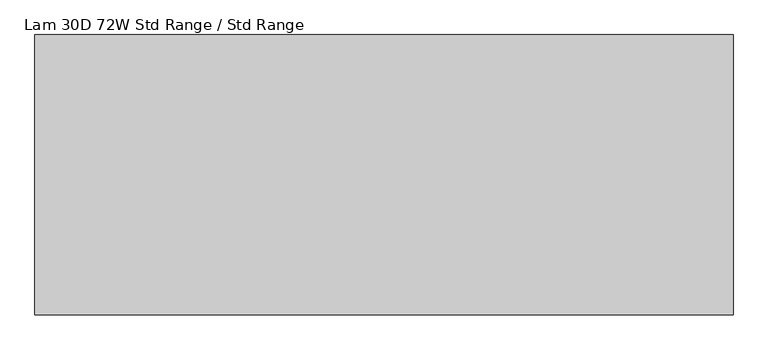
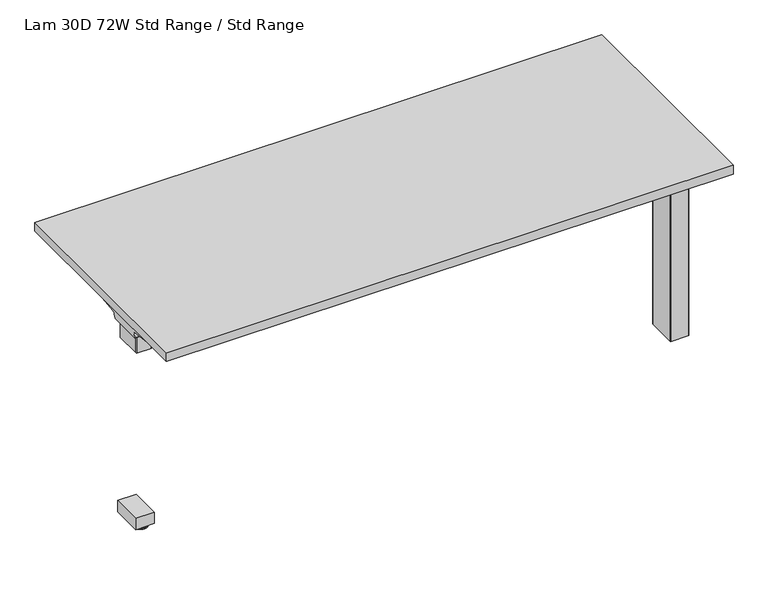
"""IFC4 building model written with IfcOpenShell, lengths in millimetres: furniture geometry, Lam 30D 72W Std Range / Std Range."""

from ifc_helpers import new_model, si_unit, point, frame, frame_2d, origin, place, context, project, spatial, polyline, circle_curve, ellipse_curve, trimmed, segment, composite_curve, outline, extrude, faceted_brep, source, transform, mapped, element, save
from ifc_brep_helpers import plane_surface, cylinder_surface, revolved_surface, advanced_brep


def lam_30d_72w_std_range_std_range_e2c294e8(model_context):
    return source(origin(), model_context, "Body", "SolidModel", [
        advanced_brep(
        [(-696.976, 671.3030475, 10.2361894), (-696.976, 657.2832975, 10.2361894), (-696.976, 657.6704727, 8.7946116), (-696.976, 670.9158723, 8.7946116), (-696.976, 664.2931725, 10.2361894), (-696.976, 685.2500609, 0.0), (-696.976, 643.3362842, 0.0), (-696.976, 664.2931725, 0.0), (-696.976, 686.7937912, 1.5436985), (-696.976, 641.7925538, 1.5436985), (-696.976, 686.7937365, 4.1072626), (-696.976, 641.7926085, 4.1072626), (-696.976, 685.2538961, 5.9174378), (-696.976, 643.3324489, 5.9174378)],
        [
            (0, 1, circle_curve(frame((-696.976, 664.2931725, 10.2361894), z_axis=(0.0, 0.0, -1.0), x_axis=(0.0, -1.0000000000000004, 0.0)), 7.009875)),
            (1, 2),
            (2, 3, circle_curve(frame((-696.976, 664.2931725, 8.7946116), z_axis=(0.0, 0.0, 1.0), x_axis=(0.0, -1.0000000000000004, 0.0)), 6.6226998)),
            (3, 0),
            (1, 0, circle_curve(frame((-696.976, 664.2931725, 10.2361894), z_axis=(0.0, 0.0, -1.0), x_axis=(0.0, -1.0000000000000004, 0.0)), 7.009875)),
            (3, 2, circle_curve(frame((-696.976, 664.2931725, 8.7946116), z_axis=(0.0, 0.0, 1.0), x_axis=(0.0, -1.0000000000000004, 0.0)), 6.6226998)),
            (4, 1),
            (0, 4),
            (5, 6, circle_curve(frame((-696.976, 664.2931725, 0.0), z_axis=(0.0, 0.0, -1.0), x_axis=(0.0, -1.0000000000000004, 0.0)), 20.9568884)),
            (6, 7),
            (7, 5),
            (6, 5, circle_curve(frame((-696.976, 664.2931725, 0.0), z_axis=(0.0, 0.0, -1.0), x_axis=(0.0, -1.0000000000000004, 0.0)), 20.9568884)),
            (8, 9, circle_curve(frame((-696.976, 664.2931725, 1.5436985), z_axis=(0.0, 0.0, -1.0), x_axis=(0.0, -1.0000000000000004, 0.0)), 22.5006187)),
            (9, 6),
            (5, 8),
            (9, 8, circle_curve(frame((-696.976, 664.2931725, 1.5436985), z_axis=(0.0, 0.0, -1.0), x_axis=(0.0, -1.0000000000000004, 0.0)), 22.5006187)),
            (10, 11, circle_curve(frame((-696.976, 664.2931725, 4.1072626), z_axis=(0.0, 0.0, -1.0), x_axis=(0.0, -1.0000000000000004, 0.0)), 22.500564)),
            (11, 9),
            (8, 10),
            (11, 10, circle_curve(frame((-696.976, 664.2931725, 4.1072626), z_axis=(0.0, 0.0, -1.0), x_axis=(0.0, -1.0000000000000004, 0.0)), 22.500564)),
            (12, 13, circle_curve(frame((-696.976, 664.2931725, 5.9174378), z_axis=(0.0, 0.0, -1.0), x_axis=(0.0, -1.0000000000000004, 0.0)), 20.9607236)),
            (13, 11),
            (10, 12),
            (13, 12, circle_curve(frame((-696.976, 664.2931725, 5.9174378), z_axis=(0.0, 0.0, -1.0), x_axis=(0.0, -1.0000000000000004, 0.0)), 20.9607236)),
            (2, 13),
            (12, 3),
        ],
        [
            revolved_surface(polyline([(-696.976, 657.6704727, 8.7946116), (-696.976, 657.2832975, 10.2361894)]), (-696.976, 664.2931725, 0.0), (0.0, 0.0, 1.0)),
            plane_surface(frame((-696.976, 664.2931725, 10.2361894), z_axis=(0.0, 0.0, 1.0), x_axis=(0.0, -1.0, 0.0))),
            plane_surface(frame((-696.976, 664.2931725, 0.0), z_axis=(0.0, 0.0, -1.0), x_axis=(0.0, -1.0, 0.0))),
            revolved_surface(polyline([(-696.976, 643.3362842, 0.0), (-696.976, 641.7925538, 1.5436985)]), (-696.976, 664.2931725, 0.0), (0.0, 0.0, 1.0)),
            cylinder_surface(frame((-696.976, 664.2931725, 0.0), z_axis=(0.0, 0.0, 1.0), x_axis=(0.0, -1.0000000000000004, 0.0)), 22.500564),
            revolved_surface(polyline([(-696.976, 641.792463, 4.1072626), (-696.976, 643.3324489, 5.9174378)]), (-696.976, 664.2931725, 0.0), (0.0, 0.0, 1.0)),
            revolved_surface(polyline([(-696.976, 643.3324489, 5.9174378), (-696.976, 657.6704727, 8.7946116)]), (-696.976, 664.2931725, 0.0), (0.0, 0.0, 1.0)),
        ],
        [
            (0, [[1, 2, 3, 4]]),
            (0, [[5, -4, 6, -2]]),
            (1, [[7, -1, 8]]),
            (1, [[-8, -5, -7]]),
            (2, [[9, 10, 11]]),
            (2, [[12, -11, -10]]),
            (3, [[13, 14, -9, 15]]),
            (3, [[16, -15, -12, -14]]),
            (4, [[17, 18, -13, 19]]),
            (4, [[20, -19, -16, -18]]),
            (5, [[21, 22, -17, 23]]),
            (5, [[24, -23, -20, -22]]),
            (6, [[-3, 25, -21, 26]]),
            (6, [[-6, -26, -24, -25]]),
        ],
    ),
        extrude(outline(polyline([(-667.0675, 738.9199959), (-667.0675, 639.5370001), (-726.8845, 639.5370001), (-726.8845, 738.9199959), (-667.0675, 738.9199959)])), frame((0.0, 0.0, 10.2361894), z_axis=(0.0, 0.0, 1.0), x_axis=(1.0, 0.0, 0.0)), (0.0, 0.0, 1.0), 37.8638679),
        faceted_brep([(856.0773962, 743.2522588, 622.0870648), (856.0773962, 748.3511664, 622.688627), (856.0773962, 753.179578, 624.4650084), (856.0773962, 757.4755731, 627.3308218), (856.0773962, 760.99538, 631.1414904), (856.0773962, 786.0990076, 665.7838526), (856.0773962, 785.360508, 666.3190068), (856.0773962, 760.2568895, 631.6766321), (856.0773962, 756.8835852, 628.0245295), (856.0773962, 752.7663947, 625.2780401), (856.0773962, 748.1389518, 623.5755641), (856.0773962, 743.2522588, 622.9990731), (856.0773962, 593.7736376, 622.9990731), (856.0773962, 588.8869809, 623.5755641), (856.0773962, 584.2595199, 625.2780401), (856.0773962, 580.1423112, 628.0245295), (856.0773962, 576.7689978, 631.6766321), (856.0773962, 551.6028741, 666.4052536), (856.0773962, 528.9092425, 703.1651011), (856.0773962, 527.840388, 703.1651011), (856.0773962, 550.8643926, 665.8701118), (856.0773962, 576.0305164, 631.1414904), (856.0773962, 579.5503324, 627.3308218), (856.0773962, 583.8463275, 624.4650084), (856.0773962, 588.6747573, 622.6885906), (856.0773962, 593.7736376, 622.0870648), (-551.4619573, 743.2522588, 622.0870648), (-551.4619573, 593.7736376, 622.0870648), (-551.4619573, 588.6747573, 622.6885906), (-551.4619573, 583.8463275, 624.4650084), (-551.4619573, 579.5503324, 627.3308218), (-551.4619573, 576.0305164, 631.1414904), (-551.4619573, 550.8643926, 665.8701118), (-551.4619573, 527.0840775, 704.390196), (-551.4619573, 528.1529322, 704.390196), (-551.4619573, 551.6028741, 666.4052536), (-551.4619573, 576.7689978, 631.6766321), (-551.4619573, 580.1423112, 628.0245295), (-551.4619573, 584.2595199, 625.2780401), (-551.4619573, 588.8869809, 623.5755641), (-551.4619573, 593.7736376, 622.9990731), (-551.4619573, 743.2522588, 622.9990731), (-551.4619573, 748.1389518, 623.5755641), (-551.4619573, 752.7663947, 625.2780401), (-551.4619573, 756.8835852, 628.0245295), (-551.4619573, 760.2568895, 631.6766321), (-551.4619573, 785.360508, 666.3190068), (-551.4619573, 786.0990076, 665.7838526), (-551.4619573, 760.99538, 631.1414904), (-551.4619573, 757.4755731, 627.3308218), (-551.4619573, 753.179578, 624.4650084), (-551.4619573, 748.3511664, 622.688627), (-482.0287306, 551.5397869, 666.4923122), (-481.1019993, 551.6028741, 666.4052536), (-477.6673689, 551.8366861, 666.0825989), (54.5237659, 551.8366861, 666.0825989), (68.0088831, 552.4282184, 665.266299), (71.7725473, 553.6086721, 663.6373024), (75.6215129, 555.4622116, 661.0794643), (86.1426004, 570.8388091, 639.8601442), (89.991566, 572.6923486, 637.3023062), (94.3829404, 574.0696277, 635.4016954), (99.1477659, 574.9177755, 634.2312727), (104.1030593, 575.2041425, 633.8360933), (206.8117723, 575.2041425, 633.8360933), (211.7670657, 574.9177755, 634.2312727), (216.5319638, 574.0696277, 635.4016954), (220.9232656, 572.6923486, 637.3023062), (224.7723039, 570.8388091, 639.8601442), (235.2933187, 555.4622116, 661.0794643), (239.142357, 553.6086721, 663.6373024), (244.7919689, 551.8366861, 666.0825989), (785.3231429, 551.8366861, 666.0825989), (788.7577733, 551.6028741, 666.4052536), (789.6845046, 551.5397869, 666.4923122), (793.8142671, 550.8037349, 667.699724), (797.4928943, 549.605542, 669.6405939), (800.525122, 548.0181204, 672.2119486), (820.7901641, 534.6038607, 693.9407822), (822.811625, 533.5455946, 695.6549944), (825.2640916, 532.7467694, 696.9489561), (828.0172666, 532.2498254, 697.7539215), (830.9248653, 532.0812313, 698.0270153), (-523.2690912, 532.0812313, 698.0270153), (-520.3614926, 532.2498254, 697.7539215), (-517.6083176, 532.7467694, 696.9489561), (-515.155851, 533.5455946, 695.6549944), (-513.1343901, 534.6038607, 693.9407822), (-492.869348, 548.0181204, 672.2119486), (-489.8371203, 549.605542, 669.6405939), (-486.1584931, 550.8037349, 667.699724), (830.9248653, 531.0123774, 698.0270153), (828.0172666, 531.1809714, 697.7539215), (825.2640916, 531.6779156, 696.9489561), (822.811625, 532.4767409, 695.6549944), (820.7901641, 533.5350072, 693.9407822), (800.525122, 546.9492694, 672.2119486), (797.4928943, 548.5366913, 669.6405939), (793.8142671, 549.7348843, 667.699724), (789.6845046, 550.4802781, 666.4923122), (785.3231429, 550.7332141, 666.0825989), (244.7919689, 550.7332141, 666.0825989), (244.3010389, 550.8643926, 665.8701118), (58.0340109, 550.8643926, 665.8701118), (54.5237659, 550.7332141, 666.0825989), (-477.6673689, 550.7332141, 666.0825989), (-482.0287306, 550.4802781, 666.4923122), (-486.1584931, 549.7348843, 667.699724), (-489.8371203, 548.5366913, 669.6405939), (-492.869348, 546.9492694, 672.2119486), (-513.1343901, 533.5350072, 693.9407822), (-515.155851, 532.4767409, 695.6549944), (-517.6083176, 531.6779156, 696.9489561), (-520.3614926, 531.1809714, 697.7539215), (-523.2690912, 531.0123774, 698.0270153), (239.142357, 552.4823998, 663.6373024), (235.2933187, 554.3359392, 661.0794643), (224.7723039, 569.7125368, 639.8601442), (220.9232656, 571.5660762, 637.3023062), (216.5319638, 572.9433553, 635.4016954), (211.7670657, 573.7915031, 634.2312727), (206.8117723, 574.0778701, 633.8360933), (104.1030593, 574.0778701, 633.8360933), (99.1477659, 573.7915031, 634.2312727), (94.3829404, 572.9433553, 635.4016954), (89.991566, 571.5660762, 637.3023062), (86.1426004, 569.7125368, 639.8601442), (75.6215129, 554.3359392, 661.0794643), (71.7725473, 552.4823998, 663.6373024), (68.0088831, 551.3019461, 665.266299)], [[[0, 1, 2, 3, 4, 5, 6, 7, 8, 9, 10, 11, 12, 13, 14, 15, 16, 17, 18, 19, 20, 21, 22, 23, 24, 25]], [[26, 27, 28, 29, 30, 31, 32, 33, 34, 35, 36, 37, 38, 39, 40, 41, 42, 43, 44, 45, 46, 47, 48, 49, 50, 51]], [[1, 0, 26, 51]], [[2, 1, 51, 50]], [[3, 2, 50, 49]], [[4, 3, 49, 48]], [[5, 4, 48, 47]], [[6, 5, 47, 46]], [[7, 6, 46, 45]], [[8, 7, 45, 44]], [[9, 8, 44, 43]], [[10, 9, 43, 42]], [[11, 10, 42, 41]], [[12, 11, 41, 40]], [[13, 12, 40, 39]], [[14, 13, 39, 38]], [[15, 14, 38, 37]], [[16, 15, 37, 36]], [[22, 21, 31, 30]], [[23, 22, 30, 29]], [[24, 23, 29, 28]], [[25, 24, 28, 27]], [[0, 25, 27, 26]], [[17, 16, 36, 35, 52, 53, 54, 55, 56, 57, 58, 59, 60, 61, 62, 63, 64, 65, 66, 67, 68, 69, 70, 71, 72, 73, 74]], [[18, 17, 74, 75, 76, 77, 78, 79, 80, 81, 82]], [[35, 34, 83, 84, 85, 86, 87, 88, 89, 90, 52]], [[20, 19, 91, 92, 93, 94, 95, 96, 97, 98, 99, 100, 101, 102]], [[33, 32, 103, 104, 105, 106, 107, 108, 109, 110, 111, 112, 113, 114]], [[21, 20, 102, 115, 116, 117, 118, 119, 120, 121, 122, 123, 124, 125, 126, 127, 128, 129, 103, 32, 31]], [[100, 72, 71, 101]], [[129, 56, 55, 104, 103]], [[104, 55, 54, 105]], [[105, 54, 53, 52, 106]], [[106, 52, 90, 107]], [[107, 90, 89, 108]], [[108, 89, 88, 109]], [[109, 88, 87, 110]], [[110, 87, 86, 111]], [[111, 86, 85, 112]], [[112, 85, 84, 113]], [[113, 84, 83, 114]], [[91, 82, 81, 92]], [[92, 81, 80, 93]], [[93, 80, 79, 94]], [[94, 79, 78, 95]], [[95, 78, 77, 96]], [[96, 77, 76, 97]], [[97, 76, 75, 98]], [[98, 75, 74, 99]], [[72, 100, 99, 74, 73]], [[101, 71, 70, 115, 102]], [[115, 70, 69, 116]], [[116, 69, 68, 117]], [[117, 68, 67, 118]], [[118, 67, 66, 119]], [[119, 66, 65, 120]], [[120, 65, 64, 121]], [[121, 64, 63, 122]], [[122, 63, 62, 123]], [[123, 62, 61, 124]], [[124, 61, 60, 125]], [[125, 60, 59, 126]], [[126, 59, 58, 127]], [[127, 58, 57, 128]], [[56, 129, 128, 57]], [[114, 83, 34, 33]], [[82, 91, 19, 18]]]),
        extrude(outline(polyline([(-747.776, 434.1876), (-747.776, 1157.3256), (1052.576, 1157.3256), (1052.576, 434.1876), (-747.776, 434.1876)])), frame((0.0, 0.0, 707.009), z_axis=(0.0, 0.0, 1.0), x_axis=(1.0, 0.0, 0.0)), (0.0, 0.0, 1.0), 29.591),
        advanced_brep(
        [(1036.2406297, 635.7959426, 658.5915733), (870.5122138, 635.7959426, 658.5915733), (884.8924181, 638.024396, 655.9442785), (1033.7518591, 638.024396, 655.9442785), (1036.4625278, 635.7869568, 658.8276054), (1038.8619089, 635.1429301, 675.7443054), (856.0773962, 635.1429301, 675.7443054), (856.0773962, 635.4909163, 666.6037253), (858.9075093, 635.572107, 664.4710821), (859.0501644, 635.6497731, 662.4310191), (1039.7185362, 629.6758947, 681.7839076), (856.0773962, 629.6758947, 681.7839076), (1042.2393767, 515.1046903, 699.5569507), (978.0243442, 515.1046903, 699.5569507), (856.0773962, 595.9094128, 687.0219877), (1042.3128152, 511.3286853, 700.0747243), (983.7229255, 511.3286853, 700.0747243), (1042.9871296, 509.8184289, 704.8289399), (1041.2021288, 512.395324, 707.009), (982.1132011, 512.395324, 707.009), (1042.9871296, 868.7919968, 704.8289399), (1042.3128152, 867.2817403, 700.0747243), (983.7229255, 867.2817403, 700.0747243), (982.1132011, 866.2151016, 707.009), (1041.2021288, 866.2151016, 707.009), (1042.2393767, 863.5057353, 699.5569507), (978.0243442, 863.5057353, 699.5569507), (1039.7185362, 748.9345309, 681.7839076), (856.0773962, 748.9345309, 681.7839076), (856.0773962, 782.7010128, 687.0219877), (1038.8619089, 743.4674955, 675.7443054), (856.0773962, 743.4674955, 675.7443054), (1036.4625278, 742.8234688, 658.8276054), (1036.2406297, 742.814483, 658.5915733), (870.5122138, 742.814483, 658.5915733), (859.0501644, 742.9606525, 662.4310191), (858.9075093, 743.0383186, 664.4710821), (856.0773962, 743.1195093, 666.6037253), (1033.7518591, 740.5860297, 655.9442785), (884.8924181, 740.5860297, 655.9442785), (856.0773962, 782.7010128, 707.009), (856.0773962, 595.9094128, 707.009)],
        [
            (0, 1),
            (1, 2, ellipse_curve(frame((894.7936465, 558.7582119, 750.1086722), z_axis=(0.0, -0.7650318638532659, -0.6439924279750484), x_axis=(0.0, -0.6439924279750484, 0.7650318638532659)), 123.7641411, 94.6835116)),
            (2, 3),
            (3, 0),
            (0, 4),
            (4, 5),
            (5, 6),
            (6, 7),
            (7, 8),
            (8, 9),
            (9, 1, ellipse_curve(frame((894.7936465, 632.3118442, 750.1086722), z_axis=(0.0, -0.999276106683639, -0.038042904873162565), x_axis=(0.0, -0.03804290487316395, 0.999276106683639)), 94.752102, 94.6835116)),
            (5, 10, ellipse_curve(frame((1038.8119691, 628.6843719, 675.3922075), z_axis=(0.9900906714849619, 0.0, -0.14042956326378436), x_axis=(0.14042956326378456, 0.0, 0.9900906714849619)), 6.5328852, 6.4681487)),
            (10, 11),
            (11, 6, circle_curve(frame((856.0773962, 628.6843719, 675.3922075), z_axis=(-1.0, 0.0, 0.0), x_axis=(0.0, -1.0000000000000004, 0.0)), 6.4681487)),
            (10, 12),
            (12, 13),
            (13, 14),
            (14, 11),
            (12, 15),
            (15, 16),
            (16, 13),
            (15, 17, ellipse_curve(frame((1042.7730772, 513.3058017, 703.3197755), z_axis=(-0.9900906714849619, 0.0, 0.14042956326378436), x_axis=(-0.14042956326378456, 0.0, -0.9900906714849619)), 3.8379455, 3.7999141)),
            (17, 18, ellipse_curve(frame((1044.222811, 513.3058017, 703.3197755), z_axis=(-0.7737284588432122, 0.0, -0.6335173809581768), x_axis=(-0.6335173809581769, 0.0, 0.7737284588432121)), 4.9111727, 3.7999141)),
            (18, 19),
            (19, 16, ellipse_curve(frame((980.739148, 513.3058017, 703.3197755), z_axis=(0.5523637579768749, 0.8336031902971967, 0.0), x_axis=(-0.8336031902971968, 0.5523637579768748, 0.0)), 6.8793689, 3.7999141)),
            (20, 21, ellipse_curve(frame((1042.7730772, 865.3046239, 703.3197755), z_axis=(-0.9900906714849619, 0.0, 0.14042956326378436), x_axis=(-0.14042956326378456, 0.0, -0.9900906714849619)), 3.8379455, 3.7999141)),
            (21, 22),
            (22, 23, ellipse_curve(frame((980.739148, 865.3046239, 703.3197755), z_axis=(0.5523637579749415, -0.833603190298478, 0.0), x_axis=(-0.8336031902984776, -0.5523637579749416, 0.0)), 6.8793689, 3.7999141)),
            (23, 24),
            (24, 20, ellipse_curve(frame((1044.222811, 865.3046239, 703.3197755), z_axis=(-0.7737284588432122, 0.0, -0.6335173809581768), x_axis=(-0.6335173809581769, 0.0, 0.7737284588432121)), 4.9111727, 3.7999141)),
            (21, 25),
            (25, 26),
            (26, 22),
            (27, 28),
            (28, 29),
            (29, 26),
            (25, 27),
            (27, 30, ellipse_curve(frame((1038.8119691, 749.9260537, 675.3922075), z_axis=(0.9900906714849619, 0.0, -0.14042956326378436), x_axis=(0.14042956326378456, 0.0, 0.9900906714849619)), 6.5328852, 6.4681487)),
            (30, 31),
            (31, 28, circle_curve(frame((856.0773962, 749.9260537, 675.3922075), z_axis=(-1.0, 0.0, 0.0), x_axis=(0.0, -1.0000000000000004, 0.0)), 6.4681487)),
            (30, 32),
            (32, 33),
            (33, 34),
            (34, 35, ellipse_curve(frame((894.7936465, 746.2985814, 750.1086722), z_axis=(0.0, 0.9992761066836363, -0.0380429048732354), x_axis=(0.0, -0.0380429048732312, -0.9992761066836363)), 94.752102, 94.6835116)),
            (35, 36),
            (36, 37),
            (37, 31),
            (33, 38),
            (38, 39),
            (39, 34, ellipse_curve(frame((894.7936465, 819.8522137, 750.1086722), z_axis=(0.0, 0.7650318638534731, -0.6439924279748023), x_axis=(0.0, -0.6439924279748023, -0.765031863853473)), 123.7641411, 94.6835116)),
            (4, 32),
            (20, 17),
            (24, 18),
            (23, 40),
            (40, 41),
            (41, 19),
            (37, 7),
            (14, 41),
            (40, 29),
            (36, 8),
            (35, 9),
            (39, 2),
            (38, 3),
        ],
        [
            plane_surface(frame((1059.2773962, 638.024396, 655.9442785), z_axis=(0.0, -0.7650318638532659, -0.6439924279750484), x_axis=(-1.0, 0.0, 0.0))),
            plane_surface(frame((1059.2773962, 635.7959426, 658.5915733), z_axis=(0.0, -0.999276106683639, -0.038042904873162565), x_axis=(-1.0, 0.0, 0.0))),
            revolved_surface(polyline([(1039.7293793154884, 622.2162232, 675.3922075), (856.0773961999998, 622.2162232, 675.3922075)]), (1059.2773962, 628.6843719, 675.3922075), (1.0000000000000004, 0.0, 0.0)),
            plane_surface(frame((1059.2773962, 629.6758947, 681.7839076), z_axis=(0.0, -0.15329313587139595, -0.9881807600306302), x_axis=(-1.0, 0.0, 0.0))),
            plane_surface(frame((1059.2773962, 515.1046903, 699.5569507), z_axis=(0.0, -0.13585085469026897, -0.9907292996979162), x_axis=(-1.0, 0.0, 0.0))),
            cylinder_surface(frame((1059.2773962, 513.3058017, 703.3197755), z_axis=(-1.0000000000000004, 0.0, 0.0), x_axis=(0.0, -1.0000000000000004, 0.0)), 3.7999141),
            cylinder_surface(frame((1059.2773962, 865.3046239, 703.3197755), z_axis=(-1.0000000000000004, 0.0, 0.0), x_axis=(0.0, -1.0000000000000004, 0.0)), 3.7999141),
            plane_surface(frame((1059.2773962, 867.2817403, 700.0747243), z_axis=(0.0, 0.135850854687912, -0.9907292996982394), x_axis=(-1.0, 0.0, 0.0))),
            plane_surface(frame((1059.2773962, 863.5057353, 699.5569507), z_axis=(0.0, 0.15329313587140656, -0.9881807600306285), x_axis=(-1.0, 0.0, 0.0))),
            revolved_surface(polyline([(1039.7293793154884, 743.457905, 675.3922075), (856.0773961999998, 743.457905, 675.3922075)]), (1059.2773962, 749.9260537, 675.3922075), (1.0000000000000004, 0.0, 0.0)),
            plane_surface(frame((1059.2773962, 743.4674955, 675.7443054), z_axis=(0.0, 0.9992761066836363, -0.0380429048732354), x_axis=(-1.0, 0.0, 0.0))),
            plane_surface(frame((1059.2773962, 742.814483, 658.5915733), z_axis=(0.0, 0.7650318638534731, -0.6439924279748023), x_axis=(-1.0, 0.0, 0.0))),
            plane_surface(frame((1036.4625278, 498.8052128, 658.8276054), z_axis=(0.9900906714849619, 0.0, -0.14042956326378436), x_axis=(0.0, 1.0, 0.0))),
            plane_surface(frame((1042.9871296, 498.8052128, 704.8289399), z_axis=(0.7737284588432122, 0.0, 0.6335173809581768), x_axis=(0.0, 1.0, 0.0))),
            plane_surface(frame((1041.2021288, 498.8052128, 707.009), z_axis=(0.0, 0.0, 1.0), x_axis=(0.0, 1.0, 0.0))),
            plane_surface(frame((856.0773962, 498.8052128, 707.009), z_axis=(-1.0, 0.0, 0.0), x_axis=(0.0, 1.0, 0.0))),
            plane_surface(frame((856.0773962, 498.8052128, 666.6037253), z_axis=(-0.6018150231516274, 0.0, -0.79863551004761), x_axis=(0.0, 1.0, 0.0))),
            plane_surface(frame((858.9075093, 498.8052128, 664.4710821), z_axis=(-0.9975640502599619, 0.0, -0.06975647374215803), x_axis=(0.0, 1.0, 0.0))),
            cylinder_surface(frame((894.7936465, 498.8052128, 750.1086722), z_axis=(0.0, -1.0000000000000004, 0.0), x_axis=(-1.0000000000000004, 0.0, 0.0)), 94.6835116),
            plane_surface(frame((884.8924181, 498.8052128, 655.9442785), z_axis=(0.0, 0.0, -1.0), x_axis=(0.0, 1.0, 0.0))),
            plane_surface(frame((1033.7518591, 498.8052128, 655.9442785), z_axis=(0.7285846064197381, 0.0, -0.6849558170336212), x_axis=(0.0, 1.0, 0.0))),
            plane_surface(frame((1002.6228017, 498.8052128, 707.009), z_axis=(-0.552363757976875, -0.8336031902971969, 0.0), x_axis=(0.0, 0.0, -1.0))),
            plane_surface(frame((856.0773962, 782.7010128, 707.009), z_axis=(-0.5523637579749415, 0.833603190298478, 0.0), x_axis=(0.0, 0.0, -1.0))),
        ],
        [
            (0, [[1, 2, 3, 4]]),
            (1, [[-1, 5, 6, 7, 8, 9, 10, 11]]),
            (2, [[-7, 12, 13, 14]]),
            (3, [[-13, 15, 16, 17, 18]]),
            (4, [[19, 20, 21, -16]]),
            (5, [[22, 23, 24, 25, -20]]),
            (6, [[26, 27, 28, 29, 30]]),
            (7, [[31, 32, 33, -27]]),
            (8, [[34, 35, 36, -32, 37]]),
            (9, [[-34, 38, 39, 40]]),
            (10, [[-39, 41, 42, 43, 44, 45, 46, 47]]),
            (11, [[-43, 48, 49, 50]]),
            (12, [[51, -41, -38, -37, -31, -26, 52, -22, -19, -15, -12, -6]]),
            (13, [[-52, -30, 53, -23]]),
            (14, [[-53, -29, 54, 55, 56, -24]]),
            (15, [[57, -8, -14, -18, 58, -55, 59, -35, -40, -47]]),
            (16, [[-57, -46, 60, -9]]),
            (17, [[-60, -45, 61, -10]]),
            (18, [[-61, -44, -50, 62, -2, -11]]),
            (19, [[-62, -49, 63, -3]]),
            (20, [[-51, -5, -4, -63, -48, -42]]),
            (21, [[-56, -58, -17, -21, -25]]),
            (22, [[-54, -28, -33, -36, -59]]),
        ],
    ),
        advanced_brep(
        [(-565.7122138, 635.7959426, 658.5915733), (-731.4406297, 635.7959426, 658.5915733), (-728.9518591, 638.024396, 655.9442785), (-580.0924181, 638.024396, 655.9442785), (-554.2501644, 635.6497731, 662.4310191), (-554.1075093, 635.572107, 664.4710821), (-551.4619573, 635.496211, 666.4646485), (-551.4619573, 635.1429301, 675.7443054), (-734.0619089, 635.1429301, 675.7443054), (-731.6625278, 635.7869568, 658.8276054), (-551.4619573, 629.6758947, 681.7839076), (-734.9185362, 629.6758947, 681.7839076), (-551.4619573, 595.9162175, 687.0209321), (-673.2570453, 515.1046903, 699.5569507), (-737.4393767, 515.1046903, 699.5569507), (-737.5128152, 511.3286853, 700.0747243), (-678.9480509, 511.3286853, 700.0747243), (-738.1871296, 509.8184289, 704.8289399), (-677.3404665, 512.395324, 707.009), (-736.4021288, 512.395324, 707.009), (-737.5128152, 867.2817403, 700.0747243), (-738.1871296, 868.7919968, 704.8289399), (-736.4021288, 866.2151016, 707.009), (-677.3404665, 866.2151016, 707.009), (-678.9480509, 867.2817403, 700.0747243), (-737.4393767, 863.5057353, 699.5569507), (-673.2570453, 863.5057353, 699.5569507), (-551.4619573, 748.9345309, 681.7839076), (-734.9185362, 748.9345309, 681.7839076), (-551.4619573, 782.6942081, 687.0209321), (-551.4619573, 743.4674955, 675.7443054), (-734.0619089, 743.4674955, 675.7443054), (-551.4619573, 743.1142146, 666.4646485), (-554.1075093, 743.0383186, 664.4710821), (-554.2501644, 742.9606525, 662.4310191), (-565.7122138, 742.814483, 658.5915733), (-731.4406297, 742.814483, 658.5915733), (-731.6625278, 742.8234688, 658.8276054), (-580.0924181, 740.5860297, 655.9442785), (-728.9518591, 740.5860297, 655.9442785), (-551.4619573, 595.9162175, 707.009), (-551.4619573, 782.6942081, 707.009)],
        [
            (0, 1),
            (1, 2),
            (2, 3),
            (3, 0, ellipse_curve(frame((-589.9936465, 558.7582119, 750.1086722), z_axis=(0.0, -0.7650318638532563, -0.6439924279750598), x_axis=(0.0, 0.64399242797506, -0.7650318638532563)), 123.7641411, 94.6835116)),
            (0, 4, ellipse_curve(frame((-589.9936465, 632.3118442, 750.1086722), z_axis=(0.0, -0.9992761066836392, -0.03804290487315863), x_axis=(0.0, 0.038042904873156216, -0.9992761066836392)), 94.752102, 94.6835116)),
            (4, 5),
            (5, 6),
            (6, 7),
            (7, 8),
            (8, 9),
            (9, 1),
            (7, 10, circle_curve(frame((-551.4619573, 628.6843719, 675.3922075), z_axis=(1.0, 0.0, 0.0), x_axis=(0.0, -1.0000000000000004, 0.0)), 6.4681487)),
            (10, 11),
            (11, 8, ellipse_curve(frame((-734.0119691, 628.6843719, 675.3922075), z_axis=(-0.9900906714849659, 0.0, -0.14042956326375675), x_axis=(0.14042956326375614, 0.0, -0.990090671484966)), 6.5328852, 6.4681487)),
            (10, 12),
            (12, 13),
            (13, 14),
            (14, 11),
            (15, 14),
            (13, 16),
            (16, 15),
            (17, 15, ellipse_curve(frame((-737.9730772, 513.3058017, 703.3197755), z_axis=(0.9900906714849659, 0.0, 0.14042956326375675), x_axis=(-0.14042956326375614, 0.0, 0.990090671484966)), 3.8379455, 3.7999141)),
            (16, 18, ellipse_curve(frame((-675.96824, 513.3058017, 703.3197755), z_axis=(-0.5528743936294861, 0.833264606753958, 0.0), x_axis=(-0.8332646067539579, -0.5528743936294861, 0.0)), 6.8730151, 3.7999141)),
            (18, 19),
            (19, 17, ellipse_curve(frame((-739.422811, 513.3058017, 703.3197755), z_axis=(0.7737284588399557, 0.0, -0.6335173809621544), x_axis=(-0.6335173809621537, 0.0, -0.7737284588399559)), 4.9111727, 3.7999141)),
            (20, 21, ellipse_curve(frame((-737.9730772, 865.3046239, 703.3197755), z_axis=(0.9900906714849659, 0.0, 0.14042956326375675), x_axis=(-0.14042956326375614, 0.0, 0.990090671484966)), 3.8379455, 3.7999141)),
            (21, 22, ellipse_curve(frame((-739.422811, 865.3046239, 703.3197755), z_axis=(0.7737284588399557, 0.0, -0.6335173809621544), x_axis=(-0.6335173809621537, 0.0, -0.7737284588399559)), 4.9111727, 3.7999141)),
            (22, 23),
            (23, 24, ellipse_curve(frame((-675.96824, 865.3046239, 703.3197755), z_axis=(-0.552874393629477, -0.8332646067539641, 0.0), x_axis=(-0.8332646067539639, 0.5528743936294772, 0.0)), 6.8730151, 3.7999141)),
            (24, 20),
            (25, 20),
            (24, 26),
            (26, 25),
            (27, 28),
            (28, 25),
            (26, 29),
            (29, 27),
            (27, 30, circle_curve(frame((-551.4619573, 749.9260537, 675.3922075), z_axis=(1.0, 0.0, 0.0), x_axis=(0.0, -1.0000000000000004, 0.0)), 6.4681487)),
            (30, 31),
            (31, 28, ellipse_curve(frame((-734.0119691, 749.9260537, 675.3922075), z_axis=(-0.9900906714849659, 0.0, -0.14042956326375675), x_axis=(0.14042956326375614, 0.0, -0.990090671484966)), 6.5328852, 6.4681487)),
            (30, 32),
            (32, 33),
            (33, 34),
            (34, 35, ellipse_curve(frame((-589.9936465, 746.2985814, 750.1086722), z_axis=(0.0, 0.9992761066836363, -0.0380429048732354), x_axis=(0.0, 0.0380429048732312, 0.9992761066836363)), 94.752102, 94.6835116)),
            (35, 36),
            (36, 37),
            (37, 31),
            (35, 38, ellipse_curve(frame((-589.9936465, 819.8522137, 750.1086722), z_axis=(0.0, 0.7650318638534731, -0.6439924279748023), x_axis=(0.0, 0.6439924279748023, 0.765031863853473)), 123.7641411, 94.6835116)),
            (38, 39),
            (39, 36),
            (37, 9),
            (17, 21),
            (19, 22),
            (18, 40),
            (40, 41),
            (41, 23),
            (6, 32),
            (29, 41),
            (40, 12),
            (5, 33),
            (4, 34),
            (3, 38),
            (2, 39),
        ],
        [
            plane_surface(frame((-551.4619573, 638.024396, 655.9442785), z_axis=(0.0, -0.7650318638532563, -0.6439924279750598), x_axis=(-1.0, 0.0, 0.0))),
            plane_surface(frame((-551.4619573, 635.7959426, 658.5915733), z_axis=(0.0, -0.9992761066836392, -0.03804290487315863), x_axis=(-1.0, 0.0, 0.0))),
            revolved_surface(polyline([(-551.4619573, 622.2162232, 675.3922075), (-734.9293793154884, 622.2162232, 675.3922075)]), (-551.4619573, 628.6843719, 675.3922075), (1.0000000000000004, 0.0, 0.0)),
            plane_surface(frame((-551.4619573, 629.6758947, 681.7839076), z_axis=(0.0, -0.15329313587140303, -0.988180760030629), x_axis=(-1.0, 0.0, 0.0))),
            plane_surface(frame((-551.4619573, 515.1046903, 699.5569507), z_axis=(0.0, -0.13585085469008154, -0.9907292996979419), x_axis=(-1.0, 0.0, 0.0))),
            cylinder_surface(frame((-551.4619573, 513.3058017, 703.3197755), z_axis=(-1.0000000000000004, 0.0, 0.0), x_axis=(0.0, -1.0000000000000004, 0.0)), 3.7999141),
            cylinder_surface(frame((-551.4619573, 865.3046239, 703.3197755), z_axis=(-1.0000000000000004, 0.0, 0.0), x_axis=(0.0, -1.0000000000000004, 0.0)), 3.7999141),
            plane_surface(frame((-551.4619573, 867.2817403, 700.0747243), z_axis=(0.0, 0.13585085468777755, -0.9907292996982578), x_axis=(-1.0, 0.0, 0.0))),
            plane_surface(frame((-551.4619573, 863.5057353, 699.5569507), z_axis=(0.0, 0.15329313587141108, -0.9881807600306277), x_axis=(-1.0, 0.0, 0.0))),
            revolved_surface(polyline([(-551.4619573, 743.457905, 675.3922075), (-734.9293793154884, 743.457905, 675.3922075)]), (-551.4619573, 749.9260537, 675.3922075), (1.0000000000000004, 0.0, 0.0)),
            plane_surface(frame((-551.4619573, 743.4674955, 675.7443054), z_axis=(0.0, 0.9992761066836363, -0.0380429048732354), x_axis=(-1.0, 0.0, 0.0))),
            plane_surface(frame((-551.4619573, 742.814483, 658.5915733), z_axis=(0.0, 0.7650318638534731, -0.6439924279748023), x_axis=(-1.0, 0.0, 0.0))),
            plane_surface(frame((-731.6625278, 879.8052128, 658.8276054), z_axis=(-0.9900906714849659, 0.0, -0.14042956326375675), x_axis=(0.0, -1.0, 0.0))),
            plane_surface(frame((-738.1871296, 879.8052128, 704.8289399), z_axis=(-0.7737284588399554, 0.0, 0.6335173809621543), x_axis=(0.0, -1.0, 0.0))),
            plane_surface(frame((-736.4021288, 879.8052128, 707.009), z_axis=(0.0, 0.0, 1.0), x_axis=(0.0, -1.0, 0.0))),
            plane_surface(frame((-551.4619573, 879.8052128, 707.009), z_axis=(1.0, 0.0, 0.0), x_axis=(0.0, -1.0, 0.0))),
            plane_surface(frame((-551.4619573, 879.8052128, 666.4646485), z_axis=(0.6018150231540726, 0.0, -0.7986355100457675), x_axis=(0.0, -1.0, 0.0))),
            plane_surface(frame((-554.1075093, 879.8052128, 664.4710821), z_axis=(0.9975640502598287, 0.0, -0.06975647374406112), x_axis=(0.0, -1.0, 0.0))),
            cylinder_surface(frame((-589.9936465, 879.8052128, 750.1086722), z_axis=(0.0, 1.0000000000000004, 0.0), x_axis=(1.0000000000000004, 0.0, 0.0)), 94.6835116),
            plane_surface(frame((-580.0924181, 879.8052128, 655.9442785), z_axis=(0.0, 0.0, -1.0), x_axis=(0.0, -1.0, 0.0))),
            plane_surface(frame((-728.9518591, 879.8052128, 655.9442785), z_axis=(-0.7285846064222695, 0.0, -0.6849558170309287), x_axis=(0.0, -1.0, 0.0))),
            plane_surface(frame((-551.4619573, 595.9162175, 707.009), z_axis=(0.5528743936294861, -0.833264606753958, 0.0), x_axis=(0.0, 0.0, -1.0))),
            plane_surface(frame((-697.8228017, 879.8052128, 707.009), z_axis=(0.552874393629477, 0.8332646067539641, 0.0), x_axis=(0.0, 0.0, -1.0))),
        ],
        [
            (0, [[1, 2, 3, 4]]),
            (1, [[-1, 5, 6, 7, 8, 9, 10, 11]]),
            (2, [[-9, 12, 13, 14]]),
            (3, [[-13, 15, 16, 17, 18]]),
            (4, [[19, -17, 20, 21]]),
            (5, [[22, -21, 23, 24, 25]]),
            (6, [[26, 27, 28, 29, 30]]),
            (7, [[31, -30, 32, 33]]),
            (8, [[34, 35, -33, 36, 37]]),
            (9, [[-34, 38, 39, 40]]),
            (10, [[-39, 41, 42, 43, 44, 45, 46, 47]]),
            (11, [[-45, 48, 49, 50]]),
            (12, [[51, -10, -14, -18, -19, -22, 52, -26, -31, -35, -40, -47]]),
            (13, [[-52, -25, 53, -27]]),
            (14, [[-53, -24, 54, 55, 56, -28]]),
            (15, [[57, -41, -38, -37, 58, -55, 59, -15, -12, -8]]),
            (16, [[-57, -7, 60, -42]]),
            (17, [[-60, -6, 61, -43]]),
            (18, [[-61, -5, -4, 62, -48, -44]]),
            (19, [[-62, -3, 63, -49]]),
            (20, [[-51, -46, -50, -63, -2, -11]]),
            (21, [[-54, -23, -20, -16, -59]]),
            (22, [[-56, -58, -36, -32, -29]]),
        ],
    ),
        advanced_brep(
        [(856.0773962, 610.6220432, 701.7794894), (856.0773962, 608.8576886, 704.0075511), (856.0773962, 597.8770903, 704.0075511), (856.0773962, 597.1469209, 701.4093085), (856.0773962, 618.573302, 671.8462148), (856.0773962, 635.9741214, 663.2452863), (856.0773962, 742.7619972, 663.2452863), (856.0773962, 760.3897911, 672.2997482), (856.0773962, 781.724499, 702.0706054), (856.0773962, 780.0859362, 704.1266572), (856.0773962, 769.870803, 704.1266572), (856.0773962, 767.999828, 701.7794894), (856.0773962, 768.7410491, 701.2423822), (856.0773962, 770.3112765, 703.2122572), (856.0773962, 779.989889, 703.2122572), (856.0773962, 780.7957777, 702.3444366), (856.0773962, 759.6465384, 672.8323858), (856.0773962, 742.7619972, 664.1598536), (856.0773962, 635.9741214, 664.1596863), (856.0773962, 619.3067728, 672.3923713), (856.0773962, 597.9530501, 701.8552144), (856.0773962, 598.2103186, 703.0931511), (856.0773962, 608.4154038, 703.0931511), (856.0773962, 609.8809409, 701.2424419), (-551.4619573, 610.6220432, 701.7794894), (-551.4619573, 609.8809409, 701.2424419), (-551.4619573, 608.4154038, 703.0931511), (-551.4619573, 598.2103186, 703.0931511), (-551.4619573, 597.9530501, 701.8552144), (-551.4619573, 619.3067728, 672.3923713), (-551.4619573, 635.9741214, 664.1596863), (-551.4619573, 742.7619973, 664.1596863), (-551.4619573, 759.6465384, 672.8323858), (-551.4619573, 780.7957777, 702.3444366), (-551.4619573, 779.989889, 703.2122572), (-551.4619573, 770.3112765, 703.2122572), (-551.4619573, 768.7410491, 701.2423822), (-551.4619573, 767.999828, 701.7794894), (-551.4619573, 769.870803, 704.1266572), (-551.4619573, 780.0859362, 704.1266572), (-551.4619573, 781.724499, 702.0706054), (-551.4619573, 760.3897911, 672.2997482), (-551.4619573, 742.7619972, 663.2454536), (-551.4619573, 635.9741214, 663.2452863), (-551.4619573, 618.573302, 671.8462148), (-551.4619573, 597.1469209, 701.4093085), (-551.4619573, 597.8770903, 704.0075511), (-551.4619573, 608.8576886, 704.0075511)],
        [
            (0, 1),
            (1, 2),
            (2, 3, circle_curve(frame((856.0773962, 599.0946552, 702.2636667), z_axis=(1.0, 0.0, 0.0), x_axis=(0.0, -1.0000000000000004, 0.0)), 2.1268749)),
            (3, 4),
            (4, 5, circle_curve(frame((856.0773962, 635.9741214, 685.1478336), z_axis=(1.0, 0.0, 0.0), x_axis=(0.0, -1.0000000000000004, 0.0)), 21.9025472)),
            (5, 6),
            (6, 7, circle_curve(frame((856.0773962, 742.7619972, 684.932365), z_axis=(1.0, 0.0, 0.0), x_axis=(0.0, -1.0000000000000004, 0.0)), 21.6869114)),
            (7, 8),
            (8, 9, circle_curve(frame((856.0773962, 779.7241493, 702.1573833), z_axis=(1.0, 0.0, 0.0), x_axis=(0.0, -1.0000000000000004, 0.0)), 2.0022311)),
            (9, 10),
            (10, 11),
            (11, 12),
            (12, 13),
            (13, 14),
            (14, 15, circle_curve(frame((856.0773962, 779.7241493, 702.1573833), z_axis=(-1.0, 0.0, 0.0), x_axis=(0.0, -1.0000000000000004, 0.0)), 1.0878311)),
            (15, 16),
            (16, 17, circle_curve(frame((856.0773962, 742.7619972, 684.932365), z_axis=(-1.0, 0.0, 0.0), x_axis=(0.0, -1.0000000000000004, 0.0)), 20.7725114)),
            (17, 18),
            (18, 19, circle_curve(frame((856.0773962, 635.9741214, 685.1478336), z_axis=(-1.0, 0.0, 0.0), x_axis=(0.0, -1.0000000000000004, 0.0)), 20.9881473)),
            (19, 20),
            (20, 21, circle_curve(frame((856.0773962, 599.0946552, 702.2636667), z_axis=(-1.0, 0.0, 0.0), x_axis=(0.0, -1.0000000000000004, 0.0)), 1.2124749)),
            (21, 22),
            (22, 23),
            (23, 0),
            (24, 25),
            (25, 26),
            (26, 27),
            (27, 28, circle_curve(frame((-551.4619573, 599.0946552, 702.2636667), z_axis=(1.0, 0.0, 0.0), x_axis=(0.0, -1.0000000000000004, 0.0)), 1.2124749)),
            (28, 29),
            (29, 30, circle_curve(frame((-551.4619573, 635.9741214, 685.1478336), z_axis=(1.0, 0.0, 0.0), x_axis=(0.0, -1.0000000000000004, 0.0)), 20.9881473)),
            (30, 31),
            (31, 32, circle_curve(frame((-551.4619573, 742.7619972, 684.932365), z_axis=(1.0, 0.0, 0.0), x_axis=(0.0, -1.0000000000000004, 0.0)), 20.7725114)),
            (32, 33),
            (33, 34, circle_curve(frame((-551.4619573, 779.7241493, 702.1573833), z_axis=(1.0, 0.0, 0.0), x_axis=(0.0, -1.0000000000000004, 0.0)), 1.0878311)),
            (34, 35),
            (35, 36),
            (36, 37),
            (37, 38),
            (38, 39),
            (39, 40, circle_curve(frame((-551.4619573, 779.7241493, 702.1573833), z_axis=(-1.0, 0.0, 0.0), x_axis=(0.0, -1.0000000000000004, 0.0)), 2.0022311)),
            (40, 41),
            (41, 42, circle_curve(frame((-551.4619573, 742.7619972, 684.932365), z_axis=(-1.0, 0.0, 0.0), x_axis=(0.0, -1.0000000000000004, 0.0)), 21.6869114)),
            (42, 43),
            (43, 44, circle_curve(frame((-551.4619573, 635.9741214, 685.1478336), z_axis=(-1.0, 0.0, 0.0), x_axis=(0.0, -1.0000000000000004, 0.0)), 21.9025472)),
            (44, 45),
            (45, 46, circle_curve(frame((-551.4619573, 599.0946552, 702.2636667), z_axis=(-1.0, 0.0, 0.0), x_axis=(0.0, -1.0000000000000004, 0.0)), 2.1268749)),
            (46, 47),
            (47, 24),
            (0, 24),
            (47, 1),
            (46, 2),
            (45, 3),
            (44, 4),
            (43, 5),
            (42, 6),
            (41, 7),
            (40, 8),
            (39, 9),
            (38, 10),
            (37, 11),
            (36, 12),
            (35, 13),
            (34, 14),
            (33, 15),
            (32, 16),
            (31, 17),
            (30, 18),
            (29, 19),
            (28, 20),
            (27, 21),
            (26, 22),
            (25, 23),
        ],
        [
            plane_surface(frame((856.0773962, 689.3052128, 707.009), z_axis=(1.0, 0.0, 0.0), x_axis=(0.0, 0.0, 1.0))),
            plane_surface(frame((-551.4619573, 689.3052128, 707.009), z_axis=(-1.0, 0.0, 0.0), x_axis=(0.0, 0.0, 1.0))),
            plane_surface(frame((856.0773962, 610.6220432, 701.7794894), z_axis=(0.0, 0.7839649337165056, 0.6208051084703435), x_axis=(-1.0, 0.0, 0.0))),
            plane_surface(frame((856.0773962, 608.8576886, 704.0075511), z_axis=(0.0, 0.0, 1.0), x_axis=(-1.0, 0.0, 0.0))),
            cylinder_surface(frame((856.0773962, 599.0946552, 702.2636667), z_axis=(1.0000000000000004, 0.0, 0.0), x_axis=(0.0, -1.0000000000000004, 0.0)), 2.1268749),
            plane_surface(frame((856.0773962, 597.1469209, 701.4093085), z_axis=(0.0, -0.8096997445281036, -0.5868443777622171), x_axis=(-1.0, 0.0, 0.0))),
            cylinder_surface(frame((856.0773962, 635.9741214, 685.1478336), z_axis=(1.0000000000000004, 0.0, 0.0), x_axis=(0.0, -1.0000000000000004, 0.0)), 21.9025472),
            plane_surface(frame((856.0773962, 635.9741214, 663.2452863), z_axis=(0.0, 0.0, -1.0), x_axis=(-1.0, 0.0, 0.0))),
            cylinder_surface(frame((856.0773962, 742.7619972, 684.932365), z_axis=(1.0000000000000004, 0.0, 0.0), x_axis=(0.0, -1.0000000000000004, 0.0)), 21.6869114),
            plane_surface(frame((856.0773962, 760.3897911, 672.2997482), z_axis=(0.0, 0.8128309997561537, -0.5824995844079307), x_axis=(-1.0, 0.0, 0.0))),
            cylinder_surface(frame((856.0773962, 779.7241493, 702.1573833), z_axis=(1.0000000000000004, 0.0, 0.0), x_axis=(0.0, -1.0000000000000004, 0.0)), 2.0022311),
            plane_surface(frame((856.0773962, 780.0859362, 704.1266572), z_axis=(0.0, 0.0, 1.0), x_axis=(-1.0, 0.0, 0.0))),
            plane_surface(frame((856.0773962, 769.870803, 704.1266572), z_axis=(0.0, -0.781966058723797, 0.6233210112004658), x_axis=(-1.0, 0.0, 0.0))),
            plane_surface(frame((856.0773962, 767.999828, 701.7794894), z_axis=(0.0, -0.5867684336468094, -0.8097547809526473), x_axis=(-1.0, 0.0, 0.0))),
            plane_surface(frame((856.0773962, 768.7410491, 701.2423822), z_axis=(0.0, 0.7819660587239203, -0.623321011200311), x_axis=(-1.0, 0.0, 0.0))),
            plane_surface(frame((856.0773962, 770.3112765, 703.2122572), z_axis=(0.0, 0.0, -1.0), x_axis=(-1.0, 0.0, 0.0))),
            revolved_surface(polyline([(-551.4619573000012, 778.6363182, 702.1573833), (856.0773962, 778.6363182, 702.1573833)]), (856.0773962, 779.7241493, 702.1573833), (-1.0000000000000004, 0.0, 0.0)),
            plane_surface(frame((856.0773962, 780.7957777, 702.3444366), z_axis=(0.0, -0.8128309996716102, 0.5824995845259042), x_axis=(-1.0, 0.0, 0.0))),
            revolved_surface(polyline([(-551.4619573000012, 721.9894858, 684.932365), (856.0773962, 721.9894858, 684.932365)]), (856.0773962, 742.7619972, 684.932365), (-1.0000000000000004, 0.0, 0.0)),
            plane_surface(frame((856.0773962, 742.7619973, 664.1596863), z_axis=(0.0, 0.0, 1.0), x_axis=(-1.0, 0.0, 0.0))),
            revolved_surface(polyline([(-551.4619573000012, 614.9859740999999, 685.1478336), (856.0773962, 614.9859740999999, 685.1478336)]), (856.0773962, 635.9741214, 685.1478336), (-1.0000000000000004, 0.0, 0.0)),
            plane_surface(frame((856.0773962, 619.3067728, 672.3923713), z_axis=(0.0, 0.8096997449536105, 0.5868443771751229), x_axis=(-1.0, 0.0, 0.0))),
            revolved_surface(polyline([(-551.4619573000012, 597.8821803000001, 702.2636667), (856.0773962, 597.8821803000001, 702.2636667)]), (856.0773962, 599.0946552, 702.2636667), (-1.0000000000000004, 0.0, 0.0)),
            plane_surface(frame((856.0773962, 598.2103186, 703.0931511), z_axis=(0.0, 0.0, -1.0), x_axis=(-1.0, 0.0, 0.0))),
            plane_surface(frame((856.0773962, 608.4154038, 703.0931511), z_axis=(0.0, -0.7839649337164977, -0.6208051084703534), x_axis=(-1.0, 0.0, 0.0))),
            plane_surface(frame((856.0773962, 609.8809409, 701.2424419), z_axis=(0.0, 0.5867873637752552, -0.8097410633737715), x_axis=(-1.0, 0.0, 0.0))),
        ],
        [
            (0, [[1, 2, 3, 4, 5, 6, 7, 8, 9, 10, 11, 12, 13, 14, 15, 16, 17, 18, 19, 20, 21, 22, 23, 24]]),
            (1, [[25, 26, 27, 28, 29, 30, 31, 32, 33, 34, 35, 36, 37, 38, 39, 40, 41, 42, 43, 44, 45, 46, 47, 48]]),
            (2, [[-1, 49, -48, 50]]),
            (3, [[-2, -50, -47, 51]]),
            (4, [[-3, -51, -46, 52]]),
            (5, [[-4, -52, -45, 53]]),
            (6, [[-5, -53, -44, 54]]),
            (7, [[-6, -54, -43, 55]]),
            (8, [[-7, -55, -42, 56]]),
            (9, [[-8, -56, -41, 57]]),
            (10, [[-9, -57, -40, 58]]),
            (11, [[-10, -58, -39, 59]]),
            (12, [[-11, -59, -38, 60]]),
            (13, [[-12, -60, -37, 61]]),
            (14, [[-13, -61, -36, 62]]),
            (15, [[-14, -62, -35, 63]]),
            (16, [[-15, -63, -34, 64]]),
            (17, [[-16, -64, -33, 65]]),
            (18, [[-17, -65, -32, 66]]),
            (19, [[-18, -66, -31, 67]]),
            (20, [[-19, -67, -30, 68]]),
            (21, [[-20, -68, -29, 69]]),
            (22, [[-21, -69, -28, 70]]),
            (23, [[-22, -70, -27, 71]]),
            (24, [[-23, -71, -26, 72]]),
            (25, [[-24, -72, -25, -49]]),
        ],
    ),
        advanced_brep(
        [(-675.0283088, 644.5569631, 655.9442785), (-672.2624028, 646.9102017, 655.9442785), (-672.2624028, 731.683827, 655.9442785), (-675.3159671, 734.0332258, 655.9442785), (-718.6299922, 734.0534625, 655.9442785), (-721.6895972, 731.6837192, 655.9442785), (-721.6895972, 646.9101172, 655.9442785), (-718.9236912, 644.5569631, 655.9442785), (-675.0283088, 644.5569631, 599.0990058), (-718.9236912, 644.5569631, 599.0990058), (-721.6895972, 646.9101172, 599.0990058), (-721.6895972, 731.6837192, 599.0990058), (-718.6360098, 734.0332205, 599.0990058), (-675.3220078, 734.0534625, 599.0990058), (-672.2624028, 731.683827, 599.0990058), (-672.2624028, 646.9102017, 599.0990058)],
        [
            (0, 1, circle_curve(frame((-675.3300788, 647.7137409, 655.9442785), z_axis=(0.0, 0.0, 1.0), x_axis=(-1.0000000000000004, 0.0, 0.0)), 3.1711688)),
            (1, 2),
            (2, 3, circle_curve(frame((-675.3159671, 730.8741348, 655.9442785), z_axis=(0.0, 0.0, 1.0), x_axis=(-1.0000000000000004, 0.0, 0.0)), 3.1590911)),
            (3, 4),
            (4, 5, circle_curve(frame((-718.6360098, 730.8741348, 655.9442785), z_axis=(0.0, 0.0, 1.0), x_axis=(-1.0000000000000004, 0.0, 0.0)), 3.1590858)),
            (5, 6),
            (6, 7, circle_curve(frame((-718.6219439, 647.7137431, 655.9442785), z_axis=(0.0, 0.0, 1.0), x_axis=(-1.0000000000000004, 0.0, 0.0)), 3.1711687)),
            (7, 0),
            (8, 9),
            (9, 10, circle_curve(frame((-718.6219439, 647.7137431, 599.0990058), z_axis=(0.0, 0.0, -1.0), x_axis=(-1.0000000000000004, 0.0, 0.0)), 3.1711687)),
            (10, 11),
            (11, 12, circle_curve(frame((-718.6360098, 730.8741348, 599.0990058), z_axis=(0.0, 0.0, -1.0), x_axis=(-1.0000000000000004, 0.0, 0.0)), 3.1590858)),
            (12, 13),
            (13, 14, circle_curve(frame((-675.3159671, 730.8741348, 599.0990058), z_axis=(0.0, 0.0, -1.0), x_axis=(-1.0000000000000004, 0.0, 0.0)), 3.1590911)),
            (14, 15),
            (15, 8, circle_curve(frame((-675.3300788, 647.7137409, 599.0990058), z_axis=(0.0, 0.0, -1.0), x_axis=(-1.0000000000000004, 0.0, 0.0)), 3.1711688)),
            (7, 9),
            (8, 0),
            (6, 10),
            (5, 11),
            (4, 12),
            (3, 13),
            (2, 14),
            (1, 15),
        ],
        [
            plane_surface(frame((-678.5012476, 647.7137409, 655.9442785), z_axis=(0.0, 0.0, 1.0), x_axis=(0.0, -1.0, 0.0))),
            plane_surface(frame((-678.5012476, 647.7137409, 599.0990058), z_axis=(0.0, 0.0, -1.0), x_axis=(0.0, 1.0, 0.0))),
            plane_surface(frame((-718.9236912, 644.5569631, 655.9442785), z_axis=(0.0, -1.0, 0.0), x_axis=(0.0, 0.0, -1.0))),
            cylinder_surface(frame((-718.6219439, 647.7137431, 599.0990058), z_axis=(0.0, 0.0, 1.0), x_axis=(-1.0000000000000004, 0.0, 0.0)), 3.1711687),
            plane_surface(frame((-721.6895972, 731.6837192, 655.9442785), z_axis=(-1.0, 0.0, 0.0), x_axis=(0.0, 0.0, -1.0))),
            cylinder_surface(frame((-718.6360098, 730.8741348, 599.0990058), z_axis=(0.0, 0.0, 1.0), x_axis=(-1.0000000000000004, 0.0, 0.0)), 3.1590858),
            plane_surface(frame((-675.3220078, 734.0534625, 655.9442785), z_axis=(0.0, 1.0, 0.0), x_axis=(0.0, 0.0, -1.0))),
            cylinder_surface(frame((-675.3159671, 730.8741348, 599.0990058), z_axis=(0.0, 0.0, 1.0), x_axis=(-1.0000000000000004, 0.0, 0.0)), 3.1590911),
            plane_surface(frame((-672.2624028, 646.9102017, 655.9442785), z_axis=(1.0, 0.0, 0.0), x_axis=(0.0, 0.0, -1.0))),
            cylinder_surface(frame((-675.3300788, 647.7137409, 599.0990058), z_axis=(0.0, 0.0, 1.0), x_axis=(-1.0000000000000004, 0.0, 0.0)), 3.1711688),
        ],
        [
            (0, [[1, 2, 3, 4, 5, 6, 7, 8]]),
            (1, [[9, 10, 11, 12, 13, 14, 15, 16]]),
            (2, [[-8, 17, -9, 18]]),
            (3, [[-7, 19, -10, -17]]),
            (4, [[-6, 20, -11, -19]]),
            (5, [[-5, 21, -12, -20]]),
            (6, [[-4, 22, -13, -21]]),
            (7, [[-3, 23, -14, -22]]),
            (8, [[-2, 24, -15, -23]]),
            (9, [[-1, -18, -16, -24]]),
        ],
    ),
        advanced_brep(
        [(979.8283088, 644.5569631, 655.9442785), (1023.7236912, 644.5569631, 655.9442785), (1026.4806448, 646.8766887, 655.9442785), (1026.4806448, 731.716762, 655.9442785), (1023.4360098, 734.0332205, 655.9442785), (980.1220078, 734.0534625, 655.9442785), (977.0713552, 731.7168653, 655.9442785), (977.0713552, 646.8767695, 655.9442785), (979.8283088, 644.5569631, 599.0990058), (977.0713552, 646.8767695, 599.0990058), (977.0713552, 731.7168653, 599.0990058), (980.1159671, 734.0332258, 599.0990058), (1023.4299922, 734.0534625, 599.0990058), (1026.4806448, 731.716762, 599.0990058), (1026.4806448, 646.8766887, 599.0990058), (1023.7236912, 644.5569631, 599.0990058)],
        [
            (0, 1),
            (1, 2, circle_curve(frame((1023.4219439, 647.7137431, 655.9442785), z_axis=(0.0, 0.0, 1.0), x_axis=(1.0000000000000004, 0.0, 0.0)), 3.1711687)),
            (2, 3),
            (3, 4, circle_curve(frame((1023.4360098, 730.8741348, 655.9442785), z_axis=(0.0, 0.0, 1.0), x_axis=(1.0000000000000004, 0.0, 0.0)), 3.1590858)),
            (4, 5),
            (5, 6, circle_curve(frame((980.1159671, 730.8741348, 655.9442785), z_axis=(0.0, 0.0, 1.0), x_axis=(1.0000000000000004, 0.0, 0.0)), 3.1590911)),
            (6, 7),
            (7, 0, circle_curve(frame((980.1300788, 647.7137409, 655.9442785), z_axis=(0.0, 0.0, 1.0), x_axis=(1.0000000000000004, 0.0, 0.0)), 3.1711688)),
            (8, 9, circle_curve(frame((980.1300788, 647.7137409, 599.0990058), z_axis=(0.0, 0.0, -1.0), x_axis=(1.0000000000000004, 0.0, 0.0)), 3.1711688)),
            (9, 10),
            (10, 11, circle_curve(frame((980.1159671, 730.8741348, 599.0990058), z_axis=(0.0, 0.0, -1.0), x_axis=(1.0000000000000004, 0.0, 0.0)), 3.1590911)),
            (11, 12),
            (12, 13, circle_curve(frame((1023.4360098, 730.8741348, 599.0990058), z_axis=(0.0, 0.0, -1.0), x_axis=(1.0000000000000004, 0.0, 0.0)), 3.1590858)),
            (13, 14),
            (14, 15, circle_curve(frame((1023.4219439, 647.7137431, 599.0990058), z_axis=(0.0, 0.0, -1.0), x_axis=(1.0000000000000004, 0.0, 0.0)), 3.1711687)),
            (15, 8),
            (0, 8),
            (15, 1),
            (14, 2),
            (13, 3),
            (12, 4),
            (11, 5),
            (10, 6),
            (9, 7),
        ],
        [
            plane_surface(frame((1023.7236912, 644.5569631, 655.9442785), z_axis=(0.0, 0.0, 1.0), x_axis=(1.0, 0.0, 0.0))),
            plane_surface(frame((1023.7236912, 644.5569631, 599.0990058), z_axis=(0.0, 0.0, -1.0), x_axis=(-1.0, 0.0, 0.0))),
            plane_surface(frame((979.8283088, 644.5569631, 655.9442785), z_axis=(0.0, -1.0, 0.0), x_axis=(0.0, 0.0, -1.0))),
            cylinder_surface(frame((1023.4219439, 647.7137431, 599.0990058), z_axis=(0.0, 0.0, 1.0), x_axis=(1.0000000000000004, 0.0, 0.0)), 3.1711687),
            plane_surface(frame((1026.4806448, 646.8766887, 655.9442785), z_axis=(1.0, 0.0, 0.0), x_axis=(0.0, 0.0, -1.0))),
            cylinder_surface(frame((1023.4360098, 730.8741348, 599.0990058), z_axis=(0.0, 0.0, 1.0), x_axis=(1.0000000000000004, 0.0, 0.0)), 3.1590858),
            plane_surface(frame((1023.4299922, 734.0534625, 655.9442785), z_axis=(0.0, 1.0, 0.0), x_axis=(0.0, 0.0, -1.0))),
            cylinder_surface(frame((980.1159671, 730.8741348, 599.0990058), z_axis=(0.0, 0.0, 1.0), x_axis=(1.0000000000000004, 0.0, 0.0)), 3.1590911),
            plane_surface(frame((977.0713552, 731.7168653, 655.9442785), z_axis=(-1.0, -1.0817707208296061e-12, 0.0), x_axis=(0.0, 0.0, -1.0))),
            cylinder_surface(frame((980.1300788, 647.7137409, 599.0990058), z_axis=(0.0, 0.0, 1.0), x_axis=(1.0000000000000004, 0.0, 0.0)), 3.1711688),
        ],
        [
            (0, [[1, 2, 3, 4, 5, 6, 7, 8]]),
            (1, [[9, 10, 11, 12, 13, 14, 15, 16]]),
            (2, [[-1, 17, -16, 18]]),
            (3, [[-2, -18, -15, 19]]),
            (4, [[-3, -19, -14, 20]]),
            (5, [[-4, -20, -13, 21]]),
            (6, [[-5, -21, -12, 22]]),
            (7, [[-6, -22, -11, 23]]),
            (8, [[-7, -23, -10, 24]]),
            (9, [[-8, -24, -9, -17]]),
        ],
    ),
        extrude(outline(composite_curve([segment(trimmed(circle_curve(frame_2d((974.116092, 641.5793048)), 2.248592), [point((974.116092, 639.3307128))], [point((971.8675, 641.5793048))], False, "CARTESIAN"), True, "CONTINUOUS"), segment(polyline([(971.8675, 641.5793048), (971.8675, 737.0310659)]), True, "CONTINUOUS"), segment(trimmed(circle_curve(frame_2d((974.1161469, 737.0310659)), 2.2486469), [point((971.8675, 737.0310659))], [point((974.1161469, 739.2797128))], False, "CARTESIAN"), True, "CONTINUOUS"), segment(polyline([(974.1161469, 739.2797128), (1029.435908, 739.2797128)]), True, "CONTINUOUS"), segment(trimmed(circle_curve(frame_2d((1029.435908, 737.0311208)), 2.248592), [point((1029.435908, 739.2797128))], [point((1031.6845, 737.0311208))], False, "CARTESIAN"), True, "CONTINUOUS"), segment(polyline([(1031.6845, 737.0311208), (1031.6845, 641.5793048)]), True, "CONTINUOUS"), segment(trimmed(circle_curve(frame_2d((1029.435908, 641.5793048)), 2.248592), [point((1031.6845, 641.5793048))], [point((1029.435908, 639.3307128))], False, "CARTESIAN"), True, "CONTINUOUS"), segment(polyline([(1029.435908, 639.3307128), (974.116092, 639.3307128)]), True, "CONTINUOUS")], self_intersect=False)), frame((0.0, 0.0, 48.1000573), z_axis=(0.0, 0.0, 1.0), x_axis=(1.0, 0.0, 0.0)), (0.0, 0.0, 1.0), 550.9989485),
    ])


if __name__ == "__main__":
    model = new_model("IFC4")
    model_context = context("Model", 3, world=origin())
    ifc_project = project(units=[si_unit("LENGTHUNIT", "METRE", prefix="MILLI")], contexts=[model_context])
    site = spatial("IfcSite", under=ifc_project)
    building = spatial("IfcBuilding", under=site)
    placement = place(None, origin())
    lam_30d_72w_std_range_std_range_shape = lam_30d_72w_std_range_std_range_e2c294e8(model_context)
    element("IfcFurniture", 1, ObjectType="Lam 30D 72W Std Range / Std Range", at=placement, inside=building, context=model_context, shape_type="MappedRepresentation", body=[
        mapped(lam_30d_72w_std_range_std_range_shape, transform((0.0, 0.0, 0.0), x_axis=(1.0, 0.0, 0.0), y_axis=(0.0, 1.0, 0.0), z_axis=(0.0, 0.0, 1.0))),
    ])
    save(model, "model.ifc")
